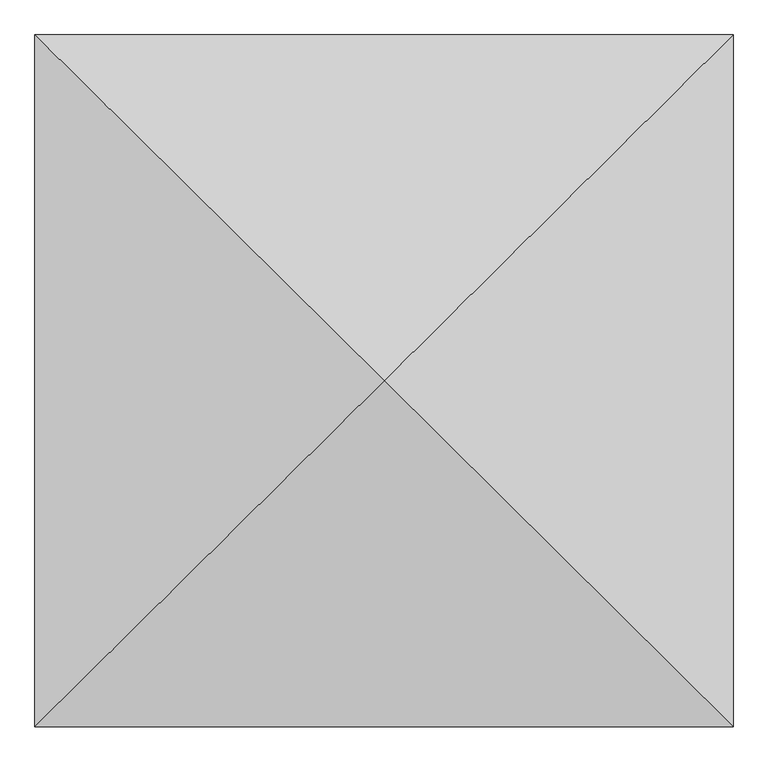
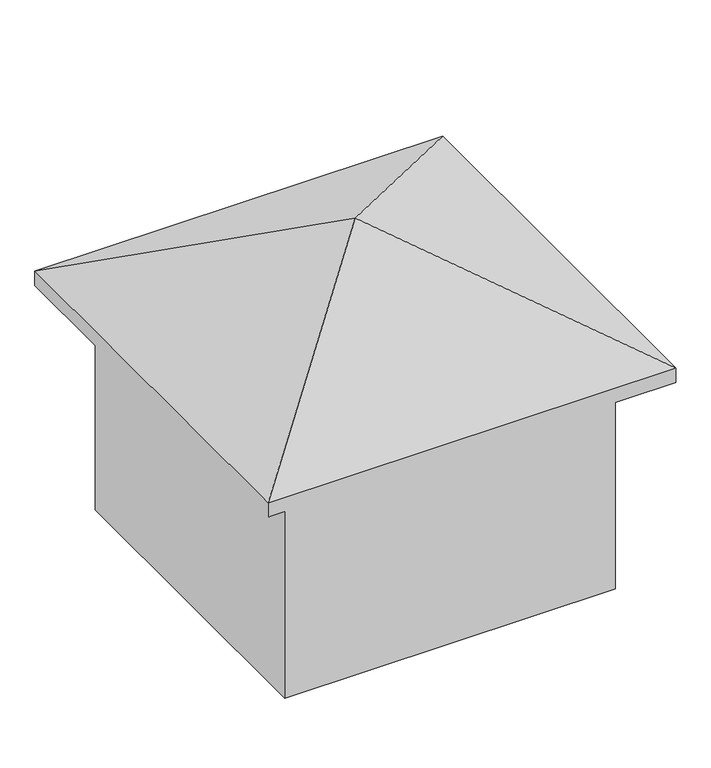
"""IFC4 building model written with IfcOpenShell, lengths in millimetres: geographic element geometry."""

from ifc_helpers import new_model, si_unit, origin, place, context, project, spatial, triangles, source, transform, mapped, element, save


def geographic_element_27b541ef(model_context):
    return source(origin(), model_context, "Body", "Tessellation", [
        triangles([(3694.1521294, 3661.7474213, 6352.2227325), (0.0, 7323.4948425, 4406.2650581), (0.0, 0.0, 4406.2650581), (7388.3042587, 7323.4948425, 4406.2650581), (7388.3042587, 0.0, 4406.2650581), (7388.3042587, 7323.4948425, 4131.9448837), (0.0, 0.0, 4131.9448837), (0.0, 7323.4948425, 4131.9448837), (7388.3042587, 0.0, 4131.9448837), (6693.3606308, 6634.6467728, 0.0), (694.9439913, 688.8479971, 0.0), (694.9439913, 6634.6467728, 0.0), (6693.3606308, 688.8479971, 0.0), (6693.3606308, 688.8479971, 4406.2650581), (694.9439913, 688.8479971, 4406.2650581), (6693.3606308, 6634.6467728, 4406.2650581), (694.9439913, 6634.6467728, 4406.2650581)], [[1, 2, 3], [4, 2, 1], [5, 1, 3], [4, 1, 5], [6, 7, 8], [7, 6, 9], [2, 7, 3], [7, 2, 8], [2, 6, 8], [6, 2, 4], [6, 5, 9], [5, 6, 4], [5, 7, 9], [7, 5, 3], [10, 11, 12], [11, 10, 13], [14, 11, 13], [11, 14, 15], [10, 14, 13], [14, 10, 16], [17, 10, 12], [10, 17, 16], [17, 11, 15], [11, 17, 12], [14, 17, 15], [17, 14, 16]]),
    ])


if __name__ == "__main__":
    model = new_model("IFC4")
    model_context = context("Model", 3, world=origin())
    ifc_project = project(units=[si_unit("LENGTHUNIT", "METRE", prefix="MILLI")], contexts=[model_context])
    site = spatial("IfcSite", under=ifc_project)
    building = spatial("IfcBuilding", under=site)
    placement = place(None, origin())
    geographic_element_shape = geographic_element_27b541ef(model_context)
    element("IfcGeographicElement", 1, at=placement, inside=building, context=model_context, shape_type="MappedRepresentation", body=[
        mapped(geographic_element_shape, transform((0.0, 0.0, 0.0), x_axis=(1.0, 0.0, 0.0), y_axis=(0.0, 1.0, 0.0), z_axis=(0.0, 0.0, 1.0))),
    ])
    save(model, "model.ifc")
